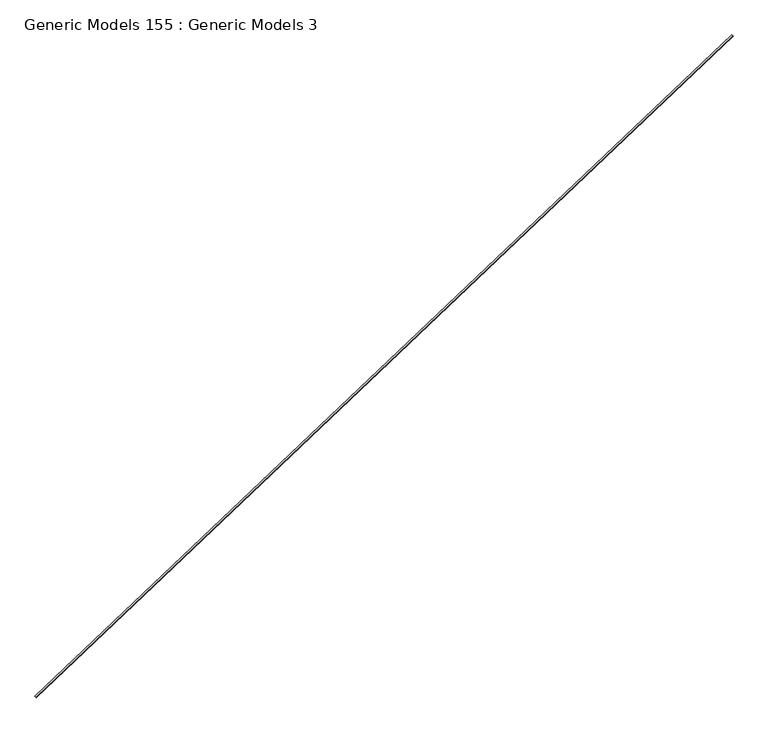
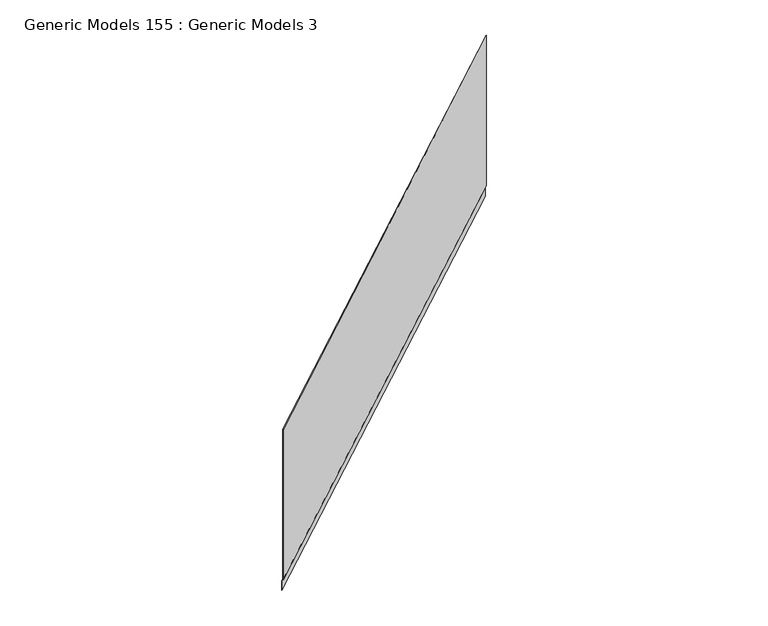
"""IFC4 building model written with IfcOpenShell, lengths in millimetres: proxy geometry, Generic Models 155 : Generic Models 3."""

from ifc_helpers import new_model, si_unit, frame, origin, place, context, project, spatial, polyline, outline, extrude, source, transform, mapped, element, save


def generic_models_155_generic_models_3_b2ed6785(model_context):
    return source(origin(), model_context, "Body", "SweptSolid", [
        extrude(outline(polyline([(1185.3203804, 0.0), (1185.3203804, -1.5875), (25.5660116, -1.5875), (17.2022816, -9.95123), (-58.517566, -9.95123), (-58.517566, -8.36373), (16.5447176, -8.36373), (24.9084475, 0.0), (1185.3203804, 0.0)])), frame((101271.9800672, 55709.1169702, 17509.8497456), z_axis=(0.7253743710122866, 0.688354575693755, 0.0), x_axis=(0.0, 0.0, 1.0)), (0.0, 0.0, 1.0), 4530.725),
    ])


if __name__ == "__main__":
    model = new_model("IFC4")
    model_context = context("Model", 3, world=origin())
    ifc_project = project(units=[si_unit("LENGTHUNIT", "METRE", prefix="MILLI")], contexts=[model_context])
    site = spatial("IfcSite", under=ifc_project)
    building = spatial("IfcBuilding", under=site)
    placement = place(None, origin())
    generic_models_155_generic_models_3_shape = generic_models_155_generic_models_3_b2ed6785(model_context)
    element("IfcBuildingElementProxy", 1, Name="Generic Models 155 : Generic Models 3", ObjectType="Generic Models 155 : Generic Models 3", at=placement, inside=building, context=model_context, shape_type="MappedRepresentation", body=[
        mapped(generic_models_155_generic_models_3_shape, transform((0.0, 0.0, 0.0), x_axis=(1.0, 0.0, 0.0), y_axis=(0.0, 1.0, 0.0), z_axis=(0.0, 0.0, 1.0))),
    ])
    save(model, "model.ifc")
